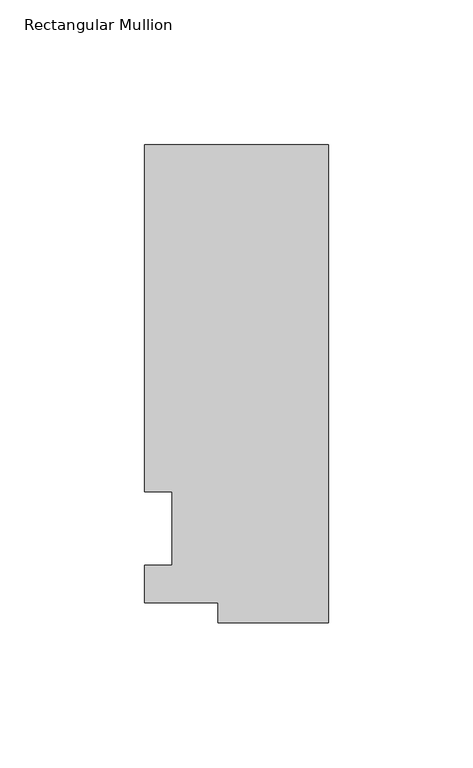
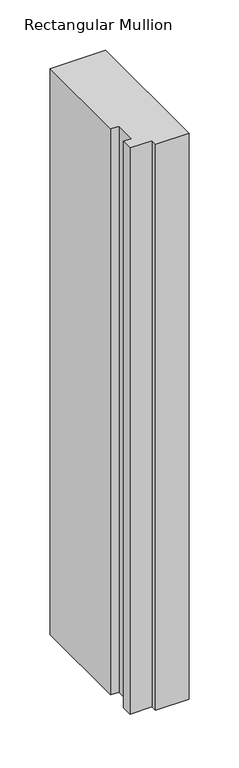
"""IFC4 building model written with IfcOpenShell, lengths in millimetres: member geometry, Rectangular Mullion."""

from ifc_helpers import new_model, si_unit, frame, origin, place, context, project, spatial, polyline, outline, extrude, source, transform, mapped, element, save


def rectangular_mullion_6b6bbd79(model_context):
    return source(origin(), model_context, "Body", "SweptSolid", [
        extrude(outline(polyline([(-38.1, -32.54375), (-38.1, -25.58415), (-63.5, -25.58415), (-63.5, -12.7), (-53.975, -12.7), (-53.975, 12.7), (-63.5, 12.7), (-63.5, 132.55625), (0.0, 132.55625), (0.0, -32.54375), (-38.1, -32.54375)])), frame((0.0, 0.0, -685.8), z_axis=(0.0, 0.0, 1.0), x_axis=(1.0, 0.0, 0.0)), (0.0, 0.0, 1.0), 685.8),
    ])


if __name__ == "__main__":
    model = new_model("IFC4")
    model_context = context("Model", 3, world=origin())
    ifc_project = project(units=[si_unit("LENGTHUNIT", "METRE", prefix="MILLI")], contexts=[model_context])
    site = spatial("IfcSite", under=ifc_project)
    building = spatial("IfcBuilding", under=site)
    placement = place(None, origin())
    rectangular_mullion_shape = rectangular_mullion_6b6bbd79(model_context)
    element("IfcMember", 1, ObjectType="Rectangular Mullion", at=placement, inside=building, context=model_context, shape_type="MappedRepresentation", body=[
        mapped(rectangular_mullion_shape, transform((0.0, 0.0, 0.0), x_axis=(1.0, 0.0, 0.0), y_axis=(0.0, 1.0, 0.0), z_axis=(0.0, 0.0, 1.0))),
    ])
    save(model, "model.ifc")
